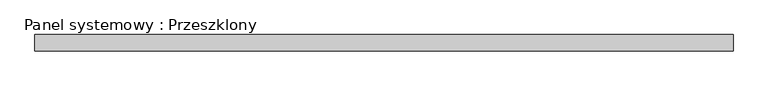
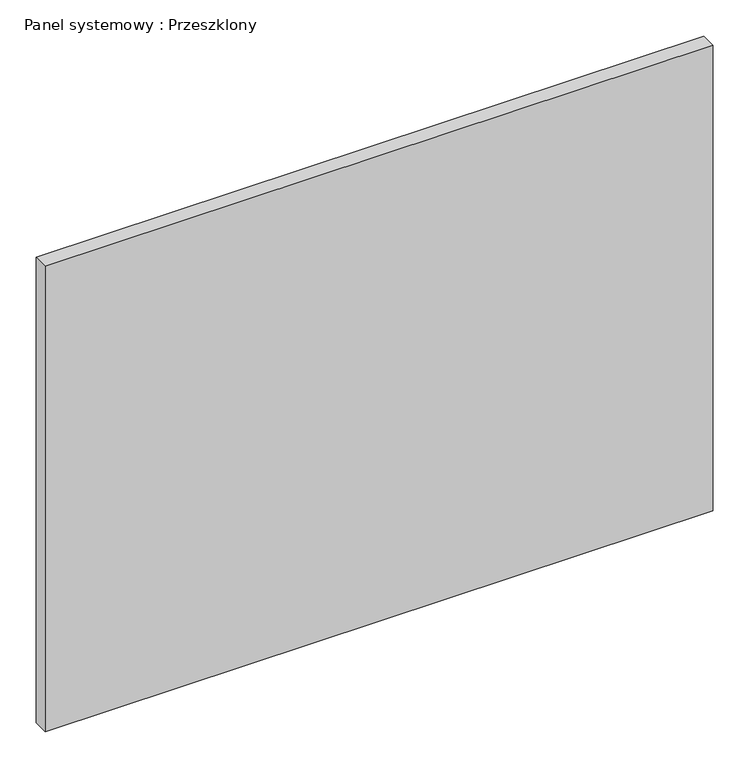
"""IFC4 building model written with IfcOpenShell, lengths in millimetres: plate geometry, Panel systemowy : Przeszklony."""

from ifc_helpers import new_model, si_unit, origin, origin_with_axes, place, context, project, spatial, polyline, outline, extrude, source, transform, mapped, element, save


def panel_systemowy_przeszklony_a3b86dce(model_context):
    return source(origin(), model_context, "Body", "SweptSolid", [
        extrude(outline(polyline([(535.0, -12.5), (-535.0, -12.5), (-535.0, 12.5), (535.0, 12.5), (535.0, -12.5)])), origin_with_axes(), (0.0, 0.0, 1.0), 788.3333333),
    ])


if __name__ == "__main__":
    model = new_model("IFC4")
    model_context = context("Model", 3, world=origin())
    ifc_project = project(units=[si_unit("LENGTHUNIT", "METRE", prefix="MILLI")], contexts=[model_context])
    site = spatial("IfcSite", under=ifc_project)
    building = spatial("IfcBuilding", under=site)
    placement = place(None, origin())
    panel_systemowy_przeszklony_shape = panel_systemowy_przeszklony_a3b86dce(model_context)
    element("IfcPlate", 1, ObjectType="Panel systemowy : Przeszklony", at=placement, inside=building, context=model_context, shape_type="MappedRepresentation", body=[
        mapped(panel_systemowy_przeszklony_shape, transform((0.0, 0.0, 0.0), x_axis=(1.0, 0.0, 0.0), y_axis=(0.0, 1.0, 0.0), z_axis=(0.0, 0.0, 1.0))),
    ])
    save(model, "model.ifc")
